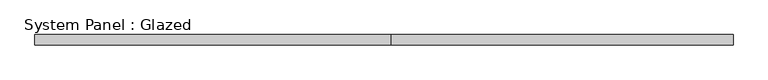
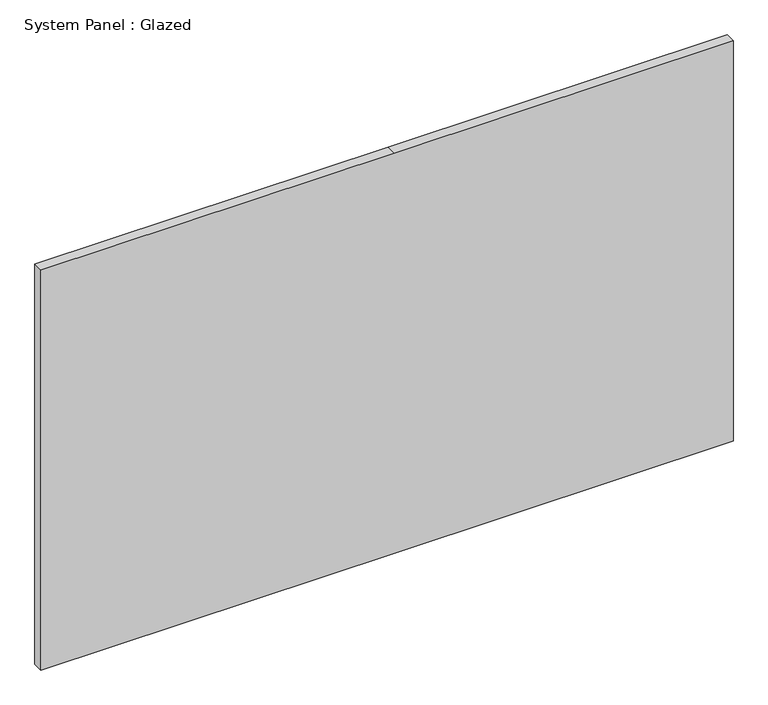
"""IFC4 building model written with IfcOpenShell, lengths in millimetres: plate geometry, System Panel : Glazed."""

import ifcopenshell
import ifcopenshell.guid

model = None  # the IFC model being written
_history = None  # IfcOwnerHistory: only IFC2X3 demands one
_inside = {}  # id of a spatial element -> (the spatial element, [elements in it])
_under = {}  # id of a project, library or spatial element -> (it, [spatial elements below it])
_declared = {}  # id of a project -> (the project, [libraries it declares])
_typed = {}  # id of a type object -> (the type object, [elements of that type])
_made_of = {}  # id of a material, layer set ... -> (it, [elements and type objects made of it])


def new_model(schema):
    """Start an empty IFC model of exactly this schema.

    Asked for "IFC4X3", IfcOpenShell would pick the latest addendum, in which some entities
    have other attributes; the version numbers below select the first issue.
    IFC2X3 requires an IfcOwnerHistory on every rooted entity: one is made here for all.
    """
    global model, _history
    if schema == "IFC4X3":
        model = ifcopenshell.file(schema_version=(4, 3, 0, 0))
    else:
        model = ifcopenshell.file(schema=schema)
    _inside.clear()
    _under.clear()
    _declared.clear()
    _typed.clear()
    _made_of.clear()
    _history = None
    if model.schema == "IFC2X3":
        org = make("IfcOrganization", Name="unknown")
        user = make(
            "IfcPersonAndOrganization",
            ThePerson=make("IfcPerson", FamilyName="unknown"),
            TheOrganization=org,
        )
        app = make(
            "IfcApplication",
            ApplicationDeveloper=org,
            Version="unknown",
            ApplicationFullName="unknown",
            ApplicationIdentifier="unknown",
        )
        _history = make(
            "IfcOwnerHistory",
            OwningUser=user,
            OwningApplication=app,
            ChangeAction="ADDED",
            CreationDate=0,
        )
    return model


def make(cls, **values):
    """One entity of the class cls with the attributes given. An attribute that is None is left unset."""
    return model.create_entity(
        cls, **{name: value for name, value in values.items() if value is not None}
    )


def rooted(cls, **values):
    """An entity with a GlobalId (a new one), such as an element, a storey or a relation."""
    return make(cls, GlobalId=ifcopenshell.guid.new(), OwnerHistory=_history, **values)


def si_unit(unit_type, name, prefix=None):
    """IfcSIUnit, for example si_unit("LENGTHUNIT", "METRE", prefix="MILLI")."""
    return make("IfcSIUnit", UnitType=unit_type, Prefix=prefix, Name=name)


def assignment(units):
    """IfcUnitAssignment: the units of a project."""
    return None if units is None else make("IfcUnitAssignment", Units=units)


def point(xyz):
    """IfcCartesianPoint."""
    return None if xyz is None else make("IfcCartesianPoint", Coordinates=xyz)


def direction(xyz):
    """IfcDirection."""
    return None if xyz is None else make("IfcDirection", DirectionRatios=xyz)


def frame(location, z_axis=None, x_axis=None):
    """IfcAxis2Placement3D, a coordinate frame: its origin and axes. An axis left out is left unset."""
    return make(
        "IfcAxis2Placement3D",
        Location=point(location),
        Axis=direction(z_axis),
        RefDirection=direction(x_axis),
    )


def origin():
    """The frame at (0, 0, 0) with its axes left unset."""
    return frame((0.0, 0.0, 0.0))


def place(relative_to, where):
    """IfcLocalPlacement: puts the frame where relative to a parent placement (None: the world)."""
    return make(
        "IfcLocalPlacement", PlacementRelTo=relative_to, RelativePlacement=where
    )


def context(
    kind, dimensions, precision=None, world=None, true_north=None, identifier=None
):
    """IfcGeometricRepresentationContext, for example the 3D "Model" context."""
    return make(
        "IfcGeometricRepresentationContext",
        ContextIdentifier=identifier,
        ContextType=kind,
        CoordinateSpaceDimension=dimensions,
        Precision=precision,
        WorldCoordinateSystem=world,
        TrueNorth=true_north,
    )


def project(units=None, contexts=None):
    """IfcProject with its units and contexts."""
    return rooted(
        "IfcProject",
        Name="project",
        RepresentationContexts=contexts,
        UnitsInContext=assignment(units),
    )


def spatial(cls, under=None, at=None, **own):
    """A site, building, storey or space (cls), placed at a placement, below another one or the project."""
    s = rooted(cls, ObjectPlacement=at, **own)
    if under is not None:
        _under.setdefault(under.id(), (under, []))[1].append(s)
    return s


def polyline(points):
    """IfcPolyline through the points."""
    return make("IfcPolyline", Points=[point(p) for p in points])


def outline(outer, holes=None, kind="AREA"):
    """IfcArbitraryClosedProfileDef: a profile drawn as a closed curve; with holes, ...WithVoids."""
    if holes is None:
        return make("IfcArbitraryClosedProfileDef", ProfileType=kind, OuterCurve=outer)
    return make(
        "IfcArbitraryProfileDefWithVoids",
        ProfileType=kind,
        OuterCurve=outer,
        InnerCurves=holes,
    )


def extrude(swept, where, along, depth):
    """IfcExtrudedAreaSolid: the profile swept, set in the frame where, extruded along a direction by depth."""
    return make(
        "IfcExtrudedAreaSolid",
        SweptArea=swept,
        Position=where,
        ExtrudedDirection=direction(along),
        Depth=depth,
    )


def shape(context_of_items, identifier, shape_type, items):
    """IfcShapeRepresentation: the items that make up one representation, for example the "Body"."""
    return make(
        "IfcShapeRepresentation",
        ContextOfItems=context_of_items,
        RepresentationIdentifier=identifier,
        RepresentationType=shape_type,
        Items=items,
    )


def source(mapping_origin, context_of_items, identifier, shape_type, items):
    """IfcRepresentationMap: a shape defined once, which mapped items show again and again."""
    return make(
        "IfcRepresentationMap",
        MappingOrigin=mapping_origin,
        MappedRepresentation=shape(context_of_items, identifier, shape_type, items),
    )


def transform(
    local_origin,
    x_axis=None,
    y_axis=None,
    z_axis=None,
    scale=None,
    scale2=None,
    scale3=None,
    uniform=True,
):
    """IfcCartesianTransformationOperator3D, or its non-uniform kind. x_axis, y_axis, z_axis: its Axis1, 2, 3."""
    if uniform:
        return make(
            "IfcCartesianTransformationOperator3D",
            Axis1=direction(x_axis),
            Axis2=direction(y_axis),
            LocalOrigin=point(local_origin),
            Scale=scale,
            Axis3=direction(z_axis),
        )
    return make(
        "IfcCartesianTransformationOperator3DnonUniform",
        Axis1=direction(x_axis),
        Axis2=direction(y_axis),
        LocalOrigin=point(local_origin),
        Scale=scale,
        Axis3=direction(z_axis),
        Scale2=scale2,
        Scale3=scale3,
    )


def mapped(mapping_source, mapping_target):
    """IfcMappedItem: shows the shape of a source again, moved by a transform."""
    return make(
        "IfcMappedItem", MappingSource=mapping_source, MappingTarget=mapping_target
    )


def made_of(thing, what):
    """Note that an element or type object is made of a material, layer set ...; save() writes the relation."""
    if what is not None:
        _made_of.setdefault(what.id(), (what, []))[1].append(thing)
    return thing


def element(
    cls,
    number,
    at=None,
    inside=None,
    cuts=None,
    type_object=None,
    material=None,
    context=None,
    identifier="Body",
    shape_type=None,
    held_by="IfcProductDefinitionShape",
    body=None,
    shapes=None,
    **own,
):
    """One element of the class cls, such as IfcWall. Its Tag is "e" and its number.

    at: its placement. inside: the storey or other place that contains it. cuts: it is an
    opening in that element (IfcRelVoidsElement). A single representation is given by context,
    identifier, shape_type and body (its items); several are given by shapes. held_by: the class
    of the entity that holds the representations. save() writes the other relations.
    """
    e = rooted(cls, Tag="e%d" % number, ObjectPlacement=at, **own)
    if body is not None:
        shapes = [shape(context, identifier, shape_type, body)]
    if shapes is not None:
        e.Representation = make(held_by, Representations=shapes)
    if inside is not None:
        _inside.setdefault(inside.id(), (inside, []))[1].append(e)
    if cuts is not None:
        rooted(
            "IfcRelVoidsElement", RelatingBuildingElement=cuts, RelatedOpeningElement=e
        )
    if type_object is not None:
        _typed.setdefault(type_object.id(), (type_object, []))[1].append(e)
    return made_of(e, material)


def aggregate(whole, parts):
    """IfcRelAggregates: a whole, such as a stair, and the parts it consists of."""
    return rooted("IfcRelAggregates", RelatingObject=whole, RelatedObjects=parts)


def save(model, path):
    """Write the relations noted so far, then the file.

    IfcRelAggregates (storeys below a building ...), IfcRelContainedInSpatialStructure (elements
    in a storey), IfcRelDefinesByType, IfcRelAssociatesMaterial and IfcRelDeclares: one each for
    every whole, place, type object, material and project.
    """
    for whole, parts in _under.values():
        aggregate(whole, parts)
    for where, things in _inside.values():
        rooted(
            "IfcRelContainedInSpatialStructure",
            RelatedElements=things,
            RelatingStructure=where,
        )
    for kind, things in _typed.values():
        rooted("IfcRelDefinesByType", RelatedObjects=things, RelatingType=kind)
    for what, things in _made_of.values():
        rooted("IfcRelAssociatesMaterial", RelatedObjects=things, RelatingMaterial=what)
    for by, libraries in _declared.values():
        rooted("IfcRelDeclares", RelatingContext=by, RelatedDefinitions=libraries)
    model.write(path)


def system_panel_glazed_03a709b5(model_context):
    return source(origin(), model_context, "Body", "SweptSolid", [
        extrude(outline(polyline([(0.0, -845.8707433), (0.0, 17.7292567), (0.0, 845.8707433), (1034.796, 845.8707433), (1034.796, 17.7292567), (1034.796, -845.8707433), (0.0, -845.8707433)])), frame((0.0, -12.7, 0.0), z_axis=(0.0, 1.0, 0.0), x_axis=(0.0, 0.0, 1.0)), (0.0, 0.0, 1.0), 25.4),
    ])


if __name__ == "__main__":
    model = new_model("IFC4")
    model_context = context("Model", 3, world=origin())
    ifc_project = project(units=[si_unit("LENGTHUNIT", "METRE", prefix="MILLI")], contexts=[model_context])
    site = spatial("IfcSite", under=ifc_project)
    building = spatial("IfcBuilding", under=site)
    placement = place(None, origin())
    system_panel_glazed_shape = system_panel_glazed_03a709b5(model_context)
    element("IfcPlate", 1, ObjectType="System Panel : Glazed", at=placement, inside=building, context=model_context, shape_type="MappedRepresentation", body=[
        mapped(system_panel_glazed_shape, transform((0.0, 0.0, 0.0), x_axis=(1.0, 0.0, 0.0), y_axis=(0.0, 1.0, 0.0), z_axis=(0.0, 0.0, 1.0))),
    ])
    save(model, "model.ifc")
